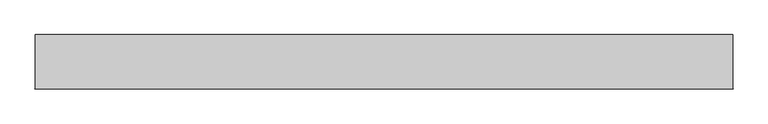
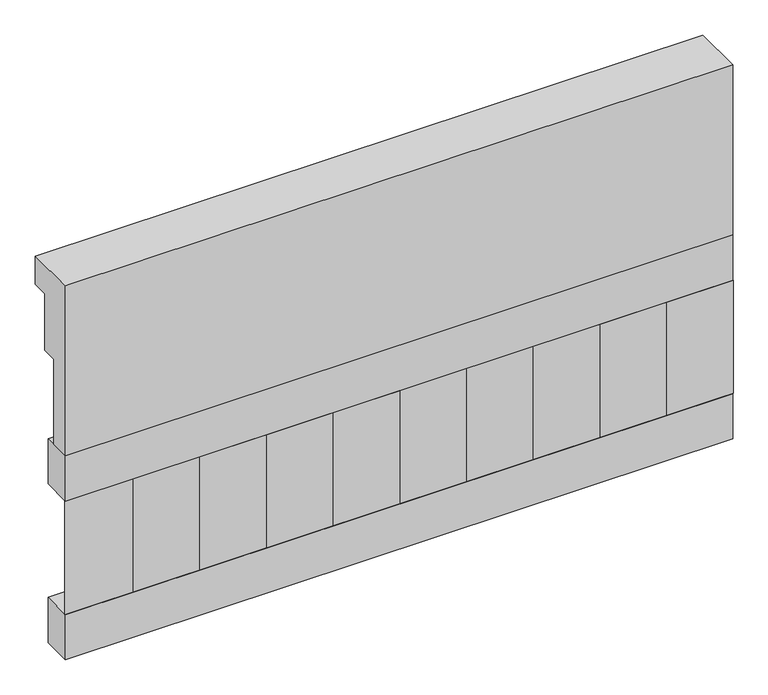
"""IFC4 building model written with IfcOpenShell, lengths in millimetres: railing geometry."""

from ifc_helpers import new_model, si_unit, frame, origin, place, context, project, spatial, polyline, outline, extrude, source, transform, mapped, element, save


def railing_aeaecbcc(model_context):
    return source(origin(), model_context, "Body", "SweptSolid", [
        extrude(outline(polyline([(903.1079487, 15200.0), (1033.1079487, 15200.0), (1033.1079487, 15125.0), (993.1079487, 15125.0), (993.1079487, 14975.0), (953.1079487, 14975.0), (953.1079487, 14750.0), (903.1079487, 14750.0), (903.1079487, 15200.0)])), frame((-19279.9887159, 0.0, 0.0), z_axis=(1.0, 0.0, 0.0), x_axis=(0.0, 1.0, 0.0)), (0.0, 0.0, 1.0), 1670.0),
        extrude(outline(polyline([(-17609.9887159, 978.1079487), (-17609.9887159, 903.1079487), (-19279.9887159, 903.1079487), (-19279.9887159, 978.1079487), (-17609.9887159, 978.1079487)])), frame((0.0, 0.0, 14630.0), z_axis=(0.0, 0.0, 1.0), x_axis=(1.0, 0.0, 0.0)), (0.0, 0.0, 1.0), 120.0),
        extrude(outline(polyline([(-17609.9887159, 978.1079487), (-17609.9887159, 903.1079487), (-19279.9887159, 903.1079487), (-19279.9887159, 978.1079487), (-17609.9887159, 978.1079487)])), frame((0.0, 0.0, 14210.0), z_axis=(0.0, 0.0, 1.0), x_axis=(1.0, 0.0, 0.0)), (0.0, 0.0, 1.0), 120.0),
        extrude(outline(polyline([(-19196.4887159, 987.9607624), (-19111.6359022, 903.1079487), (-19281.3415296, 903.1079487), (-19196.4887159, 987.9607624)])), frame((0.0, 0.0, 14330.0), z_axis=(0.0, 0.0, 1.0), x_axis=(1.0, 0.0, 0.0)), (0.0, 0.0, 1.0), 300.0),
        extrude(outline(polyline([(-19029.4887159, 987.9607624), (-18944.6359022, 903.1079487), (-19114.3415296, 903.1079487), (-19029.4887159, 987.9607624)])), frame((0.0, 0.0, 14330.0), z_axis=(0.0, 0.0, 1.0), x_axis=(1.0, 0.0, 0.0)), (0.0, 0.0, 1.0), 300.0),
        extrude(outline(polyline([(-18862.4887159, 987.9607624), (-18777.6359022, 903.1079487), (-18947.3415296, 903.1079487), (-18862.4887159, 987.9607624)])), frame((0.0, 0.0, 14330.0), z_axis=(0.0, 0.0, 1.0), x_axis=(1.0, 0.0, 0.0)), (0.0, 0.0, 1.0), 300.0),
        extrude(outline(polyline([(-18695.4887159, 987.9607624), (-18610.6359022, 903.1079487), (-18780.3415296, 903.1079487), (-18695.4887159, 987.9607624)])), frame((0.0, 0.0, 14330.0), z_axis=(0.0, 0.0, 1.0), x_axis=(1.0, 0.0, 0.0)), (0.0, 0.0, 1.0), 300.0),
        extrude(outline(polyline([(-18528.4887159, 987.9607624), (-18443.6359022, 903.1079487), (-18613.3415296, 903.1079487), (-18528.4887159, 987.9607624)])), frame((0.0, 0.0, 14330.0), z_axis=(0.0, 0.0, 1.0), x_axis=(1.0, 0.0, 0.0)), (0.0, 0.0, 1.0), 300.0),
        extrude(outline(polyline([(-18361.4887159, 987.9607624), (-18276.6359022, 903.1079487), (-18446.3415296, 903.1079487), (-18361.4887159, 987.9607624)])), frame((0.0, 0.0, 14330.0), z_axis=(0.0, 0.0, 1.0), x_axis=(1.0, 0.0, 0.0)), (0.0, 0.0, 1.0), 300.0),
        extrude(outline(polyline([(-18194.4887159, 987.9607624), (-18109.6359022, 903.1079487), (-18279.3415296, 903.1079487), (-18194.4887159, 987.9607624)])), frame((0.0, 0.0, 14330.0), z_axis=(0.0, 0.0, 1.0), x_axis=(1.0, 0.0, 0.0)), (0.0, 0.0, 1.0), 300.0),
        extrude(outline(polyline([(-18027.4887159, 987.9607624), (-17942.6359022, 903.1079487), (-18112.3415296, 903.1079487), (-18027.4887159, 987.9607624)])), frame((0.0, 0.0, 14330.0), z_axis=(0.0, 0.0, 1.0), x_axis=(1.0, 0.0, 0.0)), (0.0, 0.0, 1.0), 300.0),
        extrude(outline(polyline([(-17860.4887159, 987.9607624), (-17775.6359022, 903.1079487), (-17945.3415296, 903.1079487), (-17860.4887159, 987.9607624)])), frame((0.0, 0.0, 14330.0), z_axis=(0.0, 0.0, 1.0), x_axis=(1.0, 0.0, 0.0)), (0.0, 0.0, 1.0), 300.0),
        extrude(outline(polyline([(-17693.4887159, 987.9607624), (-17608.6359022, 903.1079487), (-17778.3415296, 903.1079487), (-17693.4887159, 987.9607624)])), frame((0.0, 0.0, 14330.0), z_axis=(0.0, 0.0, 1.0), x_axis=(1.0, 0.0, 0.0)), (0.0, 0.0, 1.0), 300.0),
    ])


if __name__ == "__main__":
    model = new_model("IFC4")
    model_context = context("Model", 3, world=origin())
    ifc_project = project(units=[si_unit("LENGTHUNIT", "METRE", prefix="MILLI")], contexts=[model_context])
    site = spatial("IfcSite", under=ifc_project)
    building = spatial("IfcBuilding", under=site)
    placement = place(None, origin())
    railing_shape = railing_aeaecbcc(model_context)
    element("IfcRailing", 1, at=placement, inside=building, context=model_context, shape_type="MappedRepresentation", body=[
        mapped(railing_shape, transform((0.0, 0.0, 0.0), x_axis=(1.0, 0.0, 0.0), y_axis=(0.0, 1.0, 0.0), z_axis=(0.0, 0.0, 1.0))),
    ])
    save(model, "model.ifc")
